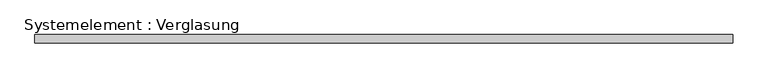
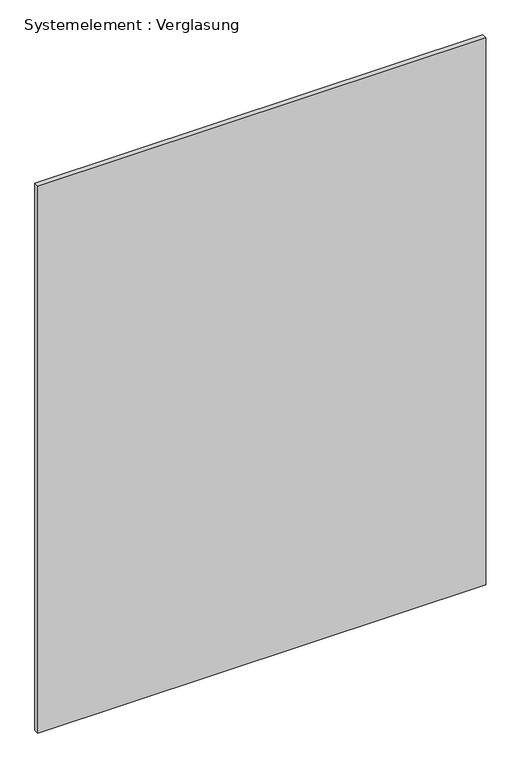
"""IFC4 building model written with IfcOpenShell, lengths in millimetres: plate geometry, Systemelement : Verglasung."""

from ifc_helpers import new_model, si_unit, origin, origin_with_axes, place, context, project, spatial, polyline, outline, extrude, source, transform, mapped, element, save


def systemelement_verglasung_63aa74dc(model_context):
    return source(origin(), model_context, "Body", "SweptSolid", [
        extrude(outline(polyline([(1274.5224905, -15.0), (-1274.5224905, -15.0), (-1274.5224905, 15.0), (1274.5224905, 15.0), (1274.5224905, -15.0)])), origin_with_axes(), (0.0, 0.0, 1.0), 3290.0),
    ])


if __name__ == "__main__":
    model = new_model("IFC4")
    model_context = context("Model", 3, world=origin())
    ifc_project = project(units=[si_unit("LENGTHUNIT", "METRE", prefix="MILLI")], contexts=[model_context])
    site = spatial("IfcSite", under=ifc_project)
    building = spatial("IfcBuilding", under=site)
    placement = place(None, origin())
    systemelement_verglasung_shape = systemelement_verglasung_63aa74dc(model_context)
    element("IfcPlate", 1, ObjectType="Systemelement : Verglasung", at=placement, inside=building, context=model_context, shape_type="MappedRepresentation", body=[
        mapped(systemelement_verglasung_shape, transform((0.0, 0.0, 0.0), x_axis=(1.0, 0.0, 0.0), y_axis=(0.0, 1.0, 0.0), z_axis=(0.0, 0.0, 1.0))),
    ])
    save(model, "model.ifc")
